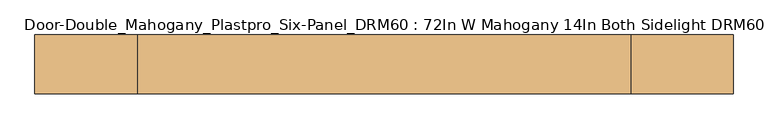
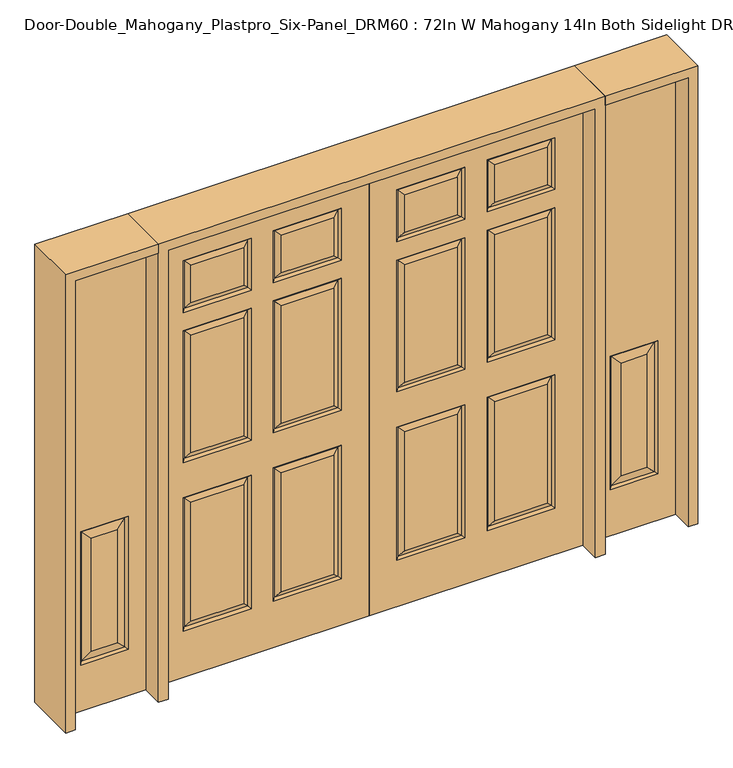
"""IFC4 building model written with IfcOpenShell, lengths in millimetres: door geometry, Door-Double_Mahogany_Plastpro_Six-Panel_DRM60 : 72In W Mahogany 14In Both Sidelight DRM60 Six Panel - 80In."""

from ifc_helpers import new_model, si_unit, frame, origin, place, context, project, spatial, polyline, outline, extrude, faceted_brep, source, transform, mapped, element, save


def door_double_mahogany_plastpro_six_panel_drm60_72in_w_f08e7dad(model_context):
    return source(origin(), model_context, "Body", "SolidModel", [
        faceted_brep([(0.0, -20.6375, 0.0), (0.0, 20.6375, 0.0), (914.4, 20.6375, 0.0), (914.4, -20.6375, 0.0), (762.7351108, -20.6375, 1004.0531705), (762.7351108, -20.6375, 1535.9468295), (537.3281705, -20.6375, 1535.9468295), (537.3281705, -20.6375, 1004.0531705), (377.0708488, -20.6375, 1004.0541512), (377.0708488, -20.6375, 1535.9458488), (151.6658699, -20.6375, 1535.9458488), (151.6658699, -20.6375, 1004.0541512), (377.0718295, -20.6375, 242.0531705), (377.0718295, -20.6375, 780.2968295), (151.6648892, -20.6375, 780.2968295), (151.6648892, -20.6375, 242.0531705), (762.7351108, -20.6375, 242.0531705), (762.7351108, -20.6375, 780.2968295), (537.3281705, -20.6375, 780.2968295), (537.3281705, -20.6375, 242.0531705), (377.0718295, -20.6375, 1683.5031705), (377.0718295, -20.6375, 1853.4468295), (151.6648892, -20.6375, 1853.4468295), (151.6648892, -20.6375, 1683.5031705), (762.7351108, -20.6375, 1683.5031705), (762.7351108, -20.6375, 1853.4468295), (537.3281705, -20.6375, 1853.4468295), (537.3281705, -20.6375, 1683.5031705), (0.0, -20.6375, 2032.0), (914.4, -20.6375, 2032.0), (119.1627007, -20.6375, 971.5509819), (119.1627007, -20.6375, 1568.4490181), (409.5740181, -20.6375, 1568.4490181), (409.5740181, -20.6375, 971.5509819), (504.8250012, -20.6375, 971.5500012), (504.8250012, -20.6375, 1568.4499988), (795.23828, -20.6375, 1568.4499988), (795.23828, -20.6375, 971.5500012), (119.16172, -20.6375, 209.5500012), (119.16172, -20.6375, 812.7999988), (409.5749988, -20.6375, 812.7999988), (409.5749988, -20.6375, 209.5500012), (504.8250012, -20.6375, 209.5500012), (504.8250012, -20.6375, 812.7999988), (795.23828, -20.6375, 812.7999988), (795.23828, -20.6375, 209.5500012), (119.16172, -20.6375, 1651.0000012), (119.16172, -20.6375, 1885.9499988), (409.5749988, -20.6375, 1885.9499988), (409.5749988, -20.6375, 1651.0000012), (504.8250012, -20.6375, 1651.0000012), (504.8250012, -20.6375, 1885.9499988), (795.23828, -20.6375, 1885.9499988), (795.23828, -20.6375, 1651.0000012), (914.4, 20.6375, 2032.0), (0.0, 20.6375, 2032.0), (795.23828, 20.6375, 971.5500012), (795.23828, 20.6375, 1568.4499988), (504.8250012, 20.6375, 1568.4499988), (504.8250012, 20.6375, 971.5500012), (409.5740181, 20.6375, 971.5509819), (409.5740181, 20.6375, 1568.4490181), (119.1627007, 20.6375, 1568.4490181), (119.1627007, 20.6375, 971.5509819), (409.5749988, 20.6375, 209.5500012), (409.5749988, 20.6375, 812.7999988), (119.16172, 20.6375, 812.7999988), (119.16172, 20.6375, 209.5500012), (795.23828, 20.6375, 209.5500012), (795.23828, 20.6375, 812.7999988), (504.8250012, 20.6375, 812.7999988), (504.8250012, 20.6375, 209.5500012), (409.5749988, 20.6375, 1651.0000012), (409.5749988, 20.6375, 1885.9499988), (119.16172, 20.6375, 1885.9499988), (119.16172, 20.6375, 1651.0000012), (795.23828, 20.6375, 1651.0000012), (795.23828, 20.6375, 1885.9499988), (504.8250012, 20.6375, 1885.9499988), (504.8250012, 20.6375, 1651.0000012), (537.3281705, 20.6375, 1004.0531705), (537.3281705, 20.6375, 1535.9468295), (762.7351108, 20.6375, 1535.9468295), (762.7351108, 20.6375, 1004.0531705), (151.6658699, 20.6375, 1004.0541512), (151.6658699, 20.6375, 1535.9458488), (377.0708488, 20.6375, 1535.9458488), (377.0708488, 20.6375, 1004.0541512), (151.6648892, 20.6375, 242.0531705), (151.6648892, 20.6375, 780.2968295), (377.0718295, 20.6375, 780.2968295), (377.0718295, 20.6375, 242.0531705), (537.3281705, 20.6375, 242.0531705), (537.3281705, 20.6375, 780.2968295), (762.7351108, 20.6375, 780.2968295), (762.7351108, 20.6375, 242.0531705), (151.6648892, 20.6375, 1683.5031705), (151.6648892, 20.6375, 1853.4468295), (377.0718295, 20.6375, 1853.4468295), (377.0718295, 20.6375, 1683.5031705), (537.3281705, 20.6375, 1683.5031705), (537.3281705, 20.6375, 1853.4468295), (762.7351108, 20.6375, 1853.4468295), (762.7351108, 20.6375, 1683.5031705), (514.5105194, 10.9519818, 981.2355194), (785.5527618, 10.9519818, 981.2355194), (514.5105194, 10.9519818, 1558.7644806), (785.5527618, 10.9519818, 1558.7644806), (128.8482189, 10.9519818, 981.2365001), (399.8884999, 10.9519818, 981.2365001), (128.8482189, 10.9519818, 1558.7634999), (399.8884999, 10.9519818, 1558.7634999), (128.8472382, 10.9519818, 219.2355194), (399.8894806, 10.9519818, 219.2355194), (128.8472382, 10.9519818, 803.1144806), (399.8894806, 10.9519818, 803.1144806), (514.5105194, 10.9519818, 219.2355194), (785.5527618, 10.9519818, 219.2355194), (514.5105194, 10.9519818, 803.1144806), (785.5527618, 10.9519818, 803.1144806), (514.5105194, -10.9519818, 981.2355194), (785.5527618, -10.9519818, 981.2355194), (514.5105194, -10.9519818, 1558.7644806), (785.5527618, -10.9519818, 1558.7644806), (128.8482189, -10.9519818, 981.2365001), (399.8884999, -10.9519818, 981.2365001), (128.8482189, -10.9519818, 1558.7634999), (399.8884999, -10.9519818, 1558.7634999), (128.8472382, -10.9519818, 219.2355194), (399.8894806, -10.9519818, 219.2355194), (128.8472382, -10.9519818, 803.1144806), (399.8894806, -10.9519818, 803.1144806), (514.5105194, -10.9519818, 219.2355194), (785.5527618, -10.9519818, 219.2355194), (514.5105194, -10.9519818, 803.1144806), (785.5527618, -10.9519818, 803.1144806), (128.8472382, 10.9519818, 1660.6855194), (399.8894806, 10.9519818, 1660.6855194), (128.8472382, -10.9519818, 1660.6855194), (399.8894806, -10.9519818, 1660.6855194), (399.8894806, 10.9519818, 1876.2644806), (399.8894806, -10.9519818, 1876.2644806), (128.8472382, 10.9519818, 1876.2644806), (128.8472382, -10.9519818, 1876.2644806), (514.5105194, 10.9519818, 1660.6855194), (785.5527618, 10.9519818, 1660.6855194), (785.5527618, 10.9519818, 1876.2644806), (514.5105194, 10.9519818, 1876.2644806), (514.5105194, -10.9519818, 1660.6855194), (785.5527618, -10.9519818, 1660.6855194), (785.5527618, -10.9519818, 1876.2644806), (514.5105194, -10.9519818, 1876.2644806)], [[[0, 1, 2, 3]], [[4, 5, 6, 7]], [[8, 9, 10, 11]], [[12, 13, 14, 15]], [[16, 17, 18, 19]], [[20, 21, 22, 23]], [[24, 25, 26, 27]], [[28, 0, 3, 29], [30, 31, 32, 33], [34, 35, 36, 37], [38, 39, 40, 41], [42, 43, 44, 45], [46, 47, 48, 49], [50, 51, 52, 53]], [[29, 3, 2, 54]], [[54, 2, 1, 55], [56, 57, 58, 59], [60, 61, 62, 63], [64, 65, 66, 67], [68, 69, 70, 71], [72, 73, 74, 75], [76, 77, 78, 79]], [[80, 81, 82, 83]], [[84, 85, 86, 87]], [[88, 89, 90, 91]], [[92, 93, 94, 95]], [[96, 97, 98, 99]], [[100, 101, 102, 103]], [[55, 1, 0, 28]], [[56, 59, 104, 105]], [[59, 58, 106, 104]], [[105, 107, 57, 56]], [[104, 80, 83, 105]], [[83, 82, 107, 105]], [[104, 106, 81, 80]], [[60, 63, 108, 109]], [[63, 62, 110, 108]], [[109, 111, 61, 60]], [[108, 84, 87, 109]], [[87, 86, 111, 109]], [[108, 110, 85, 84]], [[64, 67, 112, 113]], [[67, 66, 114, 112]], [[115, 114, 66, 65]], [[113, 115, 65, 64]], [[112, 88, 91, 113]], [[91, 90, 115, 113]], [[90, 89, 114, 115]], [[112, 114, 89, 88]], [[68, 71, 116, 117]], [[71, 70, 118, 116]], [[119, 118, 70, 69]], [[117, 119, 69, 68]], [[116, 92, 95, 117]], [[95, 94, 119, 117]], [[94, 93, 118, 119]], [[116, 118, 93, 92]], [[4, 7, 120, 121]], [[7, 6, 122, 120]], [[121, 123, 5, 4]], [[120, 34, 37, 121]], [[37, 36, 123, 121]], [[120, 122, 35, 34]], [[8, 11, 124, 125]], [[11, 10, 126, 124]], [[125, 127, 9, 8]], [[124, 30, 33, 125]], [[33, 32, 127, 125]], [[124, 126, 31, 30]], [[12, 15, 128, 129]], [[15, 14, 130, 128]], [[131, 130, 14, 13]], [[129, 131, 13, 12]], [[128, 38, 41, 129]], [[41, 40, 131, 129]], [[40, 39, 130, 131]], [[128, 130, 39, 38]], [[16, 19, 132, 133]], [[19, 18, 134, 132]], [[135, 134, 18, 17]], [[133, 135, 17, 16]], [[132, 42, 45, 133]], [[45, 44, 135, 133]], [[44, 43, 134, 135]], [[132, 134, 43, 42]], [[72, 75, 136, 137]], [[136, 96, 99, 137]], [[20, 23, 138, 139]], [[138, 46, 49, 139]], [[137, 140, 73, 72]], [[99, 98, 140, 137]], [[139, 141, 21, 20]], [[49, 48, 141, 139]], [[140, 142, 74, 73]], [[98, 97, 142, 140]], [[141, 143, 22, 21]], [[48, 47, 143, 141]], [[75, 74, 142, 136]], [[136, 142, 97, 96]], [[23, 22, 143, 138]], [[138, 143, 47, 46]], [[28, 29, 54, 55]], [[76, 79, 144, 145]], [[144, 100, 103, 145]], [[145, 146, 77, 76]], [[103, 102, 146, 145]], [[146, 147, 78, 77]], [[102, 101, 147, 146]], [[79, 78, 147, 144]], [[144, 147, 101, 100]], [[24, 27, 148, 149]], [[148, 50, 53, 149]], [[149, 150, 25, 24]], [[53, 52, 150, 149]], [[150, 151, 26, 25]], [[52, 51, 151, 150]], [[27, 26, 151, 148]], [[148, 151, 51, 50]], [[107, 106, 58, 57]], [[82, 81, 106, 107]], [[123, 122, 6, 5]], [[36, 35, 122, 123]], [[111, 110, 62, 61]], [[86, 85, 110, 111]], [[127, 126, 10, 9]], [[32, 31, 126, 127]]]),
        faceted_brep([(955.675, -20.6375, 0.0), (1311.275, -20.6375, 0.0), (1311.275, -20.6375, 2032.0), (955.675, -20.6375, 2032.0), (1235.075, -20.6375, 209.55), (1031.875, -20.6375, 209.55), (1031.875, -20.6375, 812.8), (1235.075, -20.6375, 812.8), (1077.9125, -20.6375, 255.5875), (1189.0375, -20.6375, 255.5875), (1189.0375, -20.6375, 766.7625), (1077.9125, -20.6375, 766.7625), (955.675, 20.6375, 0.0), (1311.275, 20.6375, 0.0), (1311.275, 20.6375, 2032.0), (955.675, 20.6375, 2032.0), (1031.875, 20.6375, 209.55), (1235.075, 20.6375, 209.55), (1235.075, 20.6375, 812.8), (1031.875, 20.6375, 812.8), (1189.0375, 20.6375, 255.5875), (1077.9125, 20.6375, 255.5875), (1077.9125, 20.6375, 766.7625), (1189.0375, 20.6375, 766.7625), (1226.0947439, -11.6572439, 218.5302561), (1040.8552561, -11.6572439, 218.5302561), (1040.8552561, -11.6572439, 803.8197439), (1226.0947439, -11.6572439, 803.8197439), (1040.8552561, 11.6572439, 218.5302561), (1226.0947439, 11.6572439, 218.5302561), (1226.0947439, 11.6572439, 803.8197439), (1040.8552561, 11.6572439, 803.8197439)], [[[0, 1, 2, 3], [4, 5, 6, 7]], [[8, 9, 10, 11]], [[1, 0, 12, 13]], [[2, 1, 13, 14]], [[0, 3, 15, 12]], [[12, 15, 14, 13], [16, 17, 18, 19]], [[20, 21, 22, 23]], [[3, 2, 14, 15]], [[24, 25, 5, 4]], [[5, 25, 26, 6]], [[6, 26, 27, 7]], [[24, 4, 7, 27]], [[25, 24, 9, 8]], [[9, 24, 27, 10]], [[26, 11, 10, 27]], [[25, 8, 11, 26]], [[16, 28, 29, 17]], [[17, 29, 30, 18]], [[31, 19, 18, 30]], [[28, 16, 19, 31]], [[29, 28, 21, 20]], [[21, 28, 31, 22]], [[22, 31, 30, 23]], [[29, 20, 23, 30]]]),
        faceted_brep([(-1311.275, -20.6375, 0.0), (-955.675, -20.6375, 0.0), (-955.675, -20.6375, 2032.0), (-1311.275, -20.6375, 2032.0), (-1031.875, -20.6375, 209.55), (-1235.075, -20.6375, 209.55), (-1235.075, -20.6375, 812.8), (-1031.875, -20.6375, 812.8), (-1189.0375, -20.6375, 255.5875), (-1077.9125, -20.6375, 255.5875), (-1077.9125, -20.6375, 766.7625), (-1189.0375, -20.6375, 766.7625), (-1311.275, 20.6375, 0.0), (-955.675, 20.6375, 0.0), (-955.675, 20.6375, 2032.0), (-1311.275, 20.6375, 2032.0), (-1235.075, 20.6375, 209.55), (-1031.875, 20.6375, 209.55), (-1031.875, 20.6375, 812.8), (-1235.075, 20.6375, 812.8), (-1077.9125, 20.6375, 255.5875), (-1189.0375, 20.6375, 255.5875), (-1189.0375, 20.6375, 766.7625), (-1077.9125, 20.6375, 766.7625), (-1040.8552561, -11.6572439, 218.5302561), (-1226.0947439, -11.6572439, 218.5302561), (-1226.0947439, -11.6572439, 803.8197439), (-1040.8552561, -11.6572439, 803.8197439), (-1226.0947439, 11.6572439, 218.5302561), (-1040.8552561, 11.6572439, 218.5302561), (-1040.8552561, 11.6572439, 803.8197439), (-1226.0947439, 11.6572439, 803.8197439)], [[[0, 1, 2, 3], [4, 5, 6, 7]], [[8, 9, 10, 11]], [[1, 0, 12, 13]], [[2, 1, 13, 14]], [[0, 3, 15, 12]], [[12, 15, 14, 13], [16, 17, 18, 19]], [[20, 21, 22, 23]], [[3, 2, 14, 15]], [[24, 25, 5, 4]], [[5, 25, 26, 6]], [[6, 26, 27, 7]], [[24, 4, 7, 27]], [[25, 24, 9, 8]], [[9, 24, 27, 10]], [[26, 11, 10, 27]], [[25, 8, 11, 26]], [[16, 28, 29, 17]], [[17, 29, 30, 18]], [[31, 19, 18, 30]], [[28, 16, 19, 31]], [[29, 28, 21, 20]], [[21, 28, 31, 22]], [[22, 31, 30, 23]], [[29, 20, 23, 30]]]),
        faceted_brep([(0.0, -20.6375, 0.0), (-914.4, -20.6375, 0.0), (-914.4, 20.6375, 0.0), (0.0, 20.6375, 0.0), (-762.7351108, -20.6375, 1004.0531705), (-537.3281705, -20.6375, 1004.0531705), (-537.3281705, -20.6375, 1535.9468295), (-762.7351108, -20.6375, 1535.9468295), (-377.0708488, -20.6375, 1004.0541512), (-151.6658699, -20.6375, 1004.0541512), (-151.6658699, -20.6375, 1535.9458488), (-377.0708488, -20.6375, 1535.9458488), (-377.0718295, -20.6375, 242.0531705), (-151.6648892, -20.6375, 242.0531705), (-151.6648892, -20.6375, 780.2968295), (-377.0718295, -20.6375, 780.2968295), (-762.7351108, -20.6375, 242.0531705), (-537.3281705, -20.6375, 242.0531705), (-537.3281705, -20.6375, 780.2968295), (-762.7351108, -20.6375, 780.2968295), (-377.0718295, -20.6375, 1683.5031705), (-151.6648892, -20.6375, 1683.5031705), (-151.6648892, -20.6375, 1853.4468295), (-377.0718295, -20.6375, 1853.4468295), (-762.7351108, -20.6375, 1683.5031705), (-537.3281705, -20.6375, 1683.5031705), (-537.3281705, -20.6375, 1853.4468295), (-762.7351108, -20.6375, 1853.4468295), (0.0, -20.6375, 2032.0), (-914.4, -20.6375, 2032.0), (-119.1627007, -20.6375, 971.5509819), (-409.5740181, -20.6375, 971.5509819), (-409.5740181, -20.6375, 1568.4490181), (-119.1627007, -20.6375, 1568.4490181), (-504.8250012, -20.6375, 971.5500012), (-795.23828, -20.6375, 971.5500012), (-795.23828, -20.6375, 1568.4499988), (-504.8250012, -20.6375, 1568.4499988), (-119.16172, -20.6375, 209.5500012), (-409.5749988, -20.6375, 209.5500012), (-409.5749988, -20.6375, 812.7999988), (-119.16172, -20.6375, 812.7999988), (-504.8250012, -20.6375, 209.5500012), (-795.23828, -20.6375, 209.5500012), (-795.23828, -20.6375, 812.7999988), (-504.8250012, -20.6375, 812.7999988), (-119.16172, -20.6375, 1651.0000012), (-409.5749988, -20.6375, 1651.0000012), (-409.5749988, -20.6375, 1885.9499988), (-119.16172, -20.6375, 1885.9499988), (-504.8250012, -20.6375, 1651.0000012), (-795.23828, -20.6375, 1651.0000012), (-795.23828, -20.6375, 1885.9499988), (-504.8250012, -20.6375, 1885.9499988), (-914.4, 20.6375, 2032.0), (-537.3281705, 20.6375, 1004.0531705), (-762.7351108, 20.6375, 1004.0531705), (-762.7351108, 20.6375, 1535.9468295), (-537.3281705, 20.6375, 1535.9468295), (-151.6658699, 20.6375, 1004.0541512), (-377.0708488, 20.6375, 1004.0541512), (-377.0708488, 20.6375, 1535.9458488), (-151.6658699, 20.6375, 1535.9458488), (-151.6648892, 20.6375, 242.0531705), (-377.0718295, 20.6375, 242.0531705), (-377.0718295, 20.6375, 780.2968295), (-151.6648892, 20.6375, 780.2968295), (-537.3281705, 20.6375, 242.0531705), (-762.7351108, 20.6375, 242.0531705), (-762.7351108, 20.6375, 780.2968295), (-537.3281705, 20.6375, 780.2968295), (-151.6648892, 20.6375, 1683.5031705), (-377.0718295, 20.6375, 1683.5031705), (-377.0718295, 20.6375, 1853.4468295), (-151.6648892, 20.6375, 1853.4468295), (-537.3281705, 20.6375, 1683.5031705), (-762.7351108, 20.6375, 1683.5031705), (-762.7351108, 20.6375, 1853.4468295), (-537.3281705, 20.6375, 1853.4468295), (0.0, 20.6375, 2032.0), (-795.23828, 20.6375, 971.5500012), (-504.8250012, 20.6375, 971.5500012), (-504.8250012, 20.6375, 1568.4499988), (-795.23828, 20.6375, 1568.4499988), (-409.5740181, 20.6375, 971.5509819), (-119.1627007, 20.6375, 971.5509819), (-119.1627007, 20.6375, 1568.4490181), (-409.5740181, 20.6375, 1568.4490181), (-409.5749988, 20.6375, 209.5500012), (-119.16172, 20.6375, 209.5500012), (-119.16172, 20.6375, 812.7999988), (-409.5749988, 20.6375, 812.7999988), (-795.23828, 20.6375, 209.5500012), (-504.8250012, 20.6375, 209.5500012), (-504.8250012, 20.6375, 812.7999988), (-795.23828, 20.6375, 812.7999988), (-409.5749988, 20.6375, 1651.0000012), (-119.16172, 20.6375, 1651.0000012), (-119.16172, 20.6375, 1885.9499988), (-409.5749988, 20.6375, 1885.9499988), (-795.23828, 20.6375, 1651.0000012), (-504.8250012, 20.6375, 1651.0000012), (-504.8250012, 20.6375, 1885.9499988), (-795.23828, 20.6375, 1885.9499988), (-785.5527618, 10.9519818, 981.2355194), (-514.5105194, 10.9519818, 981.2355194), (-514.5105194, 10.9519818, 1558.7644806), (-785.5527618, 10.9519818, 1558.7644806), (-399.8884999, 10.9519818, 981.2365001), (-128.8482189, 10.9519818, 981.2365001), (-128.8482189, 10.9519818, 1558.7634999), (-399.8884999, 10.9519818, 1558.7634999), (-399.8894806, 10.9519818, 219.2355194), (-128.8472382, 10.9519818, 219.2355194), (-128.8472382, 10.9519818, 803.1144806), (-399.8894806, 10.9519818, 803.1144806), (-785.5527618, 10.9519818, 219.2355194), (-514.5105194, 10.9519818, 219.2355194), (-514.5105194, 10.9519818, 803.1144806), (-785.5527618, 10.9519818, 803.1144806), (-785.5527618, -10.9519818, 981.2355194), (-514.5105194, -10.9519818, 981.2355194), (-514.5105194, -10.9519818, 1558.7644806), (-785.5527618, -10.9519818, 1558.7644806), (-399.8884999, -10.9519818, 981.2365001), (-128.8482189, -10.9519818, 981.2365001), (-128.8482189, -10.9519818, 1558.7634999), (-399.8884999, -10.9519818, 1558.7634999), (-399.8894806, -10.9519818, 219.2355194), (-128.8472382, -10.9519818, 219.2355194), (-128.8472382, -10.9519818, 803.1144806), (-399.8894806, -10.9519818, 803.1144806), (-785.5527618, -10.9519818, 219.2355194), (-514.5105194, -10.9519818, 219.2355194), (-514.5105194, -10.9519818, 803.1144806), (-785.5527618, -10.9519818, 803.1144806), (-399.8894806, 10.9519818, 1660.6855194), (-128.8472382, 10.9519818, 1660.6855194), (-399.8894806, -10.9519818, 1660.6855194), (-128.8472382, -10.9519818, 1660.6855194), (-399.8894806, 10.9519818, 1876.2644806), (-399.8894806, -10.9519818, 1876.2644806), (-128.8472382, 10.9519818, 1876.2644806), (-128.8472382, -10.9519818, 1876.2644806), (-785.5527618, 10.9519818, 1660.6855194), (-514.5105194, 10.9519818, 1660.6855194), (-785.5527618, 10.9519818, 1876.2644806), (-514.5105194, 10.9519818, 1876.2644806), (-785.5527618, -10.9519818, 1660.6855194), (-514.5105194, -10.9519818, 1660.6855194), (-785.5527618, -10.9519818, 1876.2644806), (-514.5105194, -10.9519818, 1876.2644806)], [[[0, 1, 2, 3]], [[4, 5, 6, 7]], [[8, 9, 10, 11]], [[12, 13, 14, 15]], [[16, 17, 18, 19]], [[20, 21, 22, 23]], [[24, 25, 26, 27]], [[28, 29, 1, 0], [30, 31, 32, 33], [34, 35, 36, 37], [38, 39, 40, 41], [42, 43, 44, 45], [46, 47, 48, 49], [50, 51, 52, 53]], [[29, 54, 2, 1]], [[55, 56, 57, 58]], [[59, 60, 61, 62]], [[63, 64, 65, 66]], [[67, 68, 69, 70]], [[71, 72, 73, 74]], [[75, 76, 77, 78]], [[54, 79, 3, 2], [80, 81, 82, 83], [84, 85, 86, 87], [88, 89, 90, 91], [92, 93, 94, 95], [96, 97, 98, 99], [100, 101, 102, 103]], [[79, 28, 0, 3]], [[80, 104, 105, 81]], [[81, 105, 106, 82]], [[104, 80, 83, 107]], [[105, 104, 56, 55]], [[56, 104, 107, 57]], [[105, 55, 58, 106]], [[84, 108, 109, 85]], [[85, 109, 110, 86]], [[108, 84, 87, 111]], [[109, 108, 60, 59]], [[60, 108, 111, 61]], [[109, 59, 62, 110]], [[88, 112, 113, 89]], [[89, 113, 114, 90]], [[115, 91, 90, 114]], [[112, 88, 91, 115]], [[113, 112, 64, 63]], [[64, 112, 115, 65]], [[65, 115, 114, 66]], [[113, 63, 66, 114]], [[92, 116, 117, 93]], [[93, 117, 118, 94]], [[119, 95, 94, 118]], [[116, 92, 95, 119]], [[117, 116, 68, 67]], [[68, 116, 119, 69]], [[69, 119, 118, 70]], [[117, 67, 70, 118]], [[4, 120, 121, 5]], [[5, 121, 122, 6]], [[120, 4, 7, 123]], [[121, 120, 35, 34]], [[35, 120, 123, 36]], [[121, 34, 37, 122]], [[8, 124, 125, 9]], [[9, 125, 126, 10]], [[124, 8, 11, 127]], [[125, 124, 31, 30]], [[31, 124, 127, 32]], [[125, 30, 33, 126]], [[12, 128, 129, 13]], [[13, 129, 130, 14]], [[131, 15, 14, 130]], [[128, 12, 15, 131]], [[129, 128, 39, 38]], [[39, 128, 131, 40]], [[40, 131, 130, 41]], [[129, 38, 41, 130]], [[16, 132, 133, 17]], [[17, 133, 134, 18]], [[135, 19, 18, 134]], [[132, 16, 19, 135]], [[133, 132, 43, 42]], [[43, 132, 135, 44]], [[44, 135, 134, 45]], [[133, 42, 45, 134]], [[96, 136, 137, 97]], [[137, 136, 72, 71]], [[20, 138, 139, 21]], [[139, 138, 47, 46]], [[136, 96, 99, 140]], [[72, 136, 140, 73]], [[138, 20, 23, 141]], [[47, 138, 141, 48]], [[140, 99, 98, 142]], [[73, 140, 142, 74]], [[141, 23, 22, 143]], [[48, 141, 143, 49]], [[97, 137, 142, 98]], [[137, 71, 74, 142]], [[21, 139, 143, 22]], [[139, 46, 49, 143]], [[28, 79, 54, 29]], [[100, 144, 145, 101]], [[145, 144, 76, 75]], [[144, 100, 103, 146]], [[76, 144, 146, 77]], [[146, 103, 102, 147]], [[77, 146, 147, 78]], [[101, 145, 147, 102]], [[145, 75, 78, 147]], [[24, 148, 149, 25]], [[149, 148, 51, 50]], [[148, 24, 27, 150]], [[51, 148, 150, 52]], [[150, 27, 26, 151]], [[52, 150, 151, 53]], [[25, 149, 151, 26]], [[149, 50, 53, 151]], [[107, 83, 82, 106]], [[57, 107, 106, 58]], [[123, 7, 6, 122]], [[36, 123, 122, 37]], [[111, 87, 86, 110]], [[61, 111, 110, 62]], [[127, 11, 10, 126]], [[32, 127, 126, 33]]]),
        extrude(outline(polyline([(2032.0, -955.675), (2073.275, -955.675), (2073.275, -1352.55), (0.0, -1352.55), (0.0, -1311.275), (2032.0, -1311.275), (2032.0, -955.675)])), frame((0.0, -114.3, 0.0), z_axis=(0.0, 1.0, 0.0), x_axis=(0.0, 0.0, 1.0)), (0.0, 0.0, 1.0), 228.6),
        extrude(outline(polyline([(2073.275, -955.675), (0.0, -955.675), (0.0, -914.4), (2032.0, -914.4), (2032.0, 914.4), (0.0, 914.4), (0.0, 955.675), (2073.275, 955.675), (2073.275, -955.675)])), frame((0.0, -114.3, 0.0), z_axis=(0.0, 1.0, 0.0), x_axis=(0.0, 0.0, 1.0)), (0.0, 0.0, 1.0), 228.6),
        extrude(outline(polyline([(0.0, 1311.275), (0.0, 1352.55), (2073.275, 1352.55), (2073.275, 955.675), (2032.0, 955.675), (2032.0, 1311.275), (0.0, 1311.275)])), frame((0.0, -114.3, 0.0), z_axis=(0.0, 1.0, 0.0), x_axis=(0.0, 0.0, 1.0)), (0.0, 0.0, 1.0), 228.6),
    ])


if __name__ == "__main__":
    model = new_model("IFC4")
    model_context = context("Model", 3, world=origin())
    ifc_project = project(units=[si_unit("LENGTHUNIT", "METRE", prefix="MILLI")], contexts=[model_context])
    site = spatial("IfcSite", under=ifc_project)
    building = spatial("IfcBuilding", under=site)
    placement = place(None, origin())
    door_double_mahogany_plastpro_six_panel_drm60_72in_w_shape = door_double_mahogany_plastpro_six_panel_drm60_72in_w_f08e7dad(model_context)
    element("IfcDoor", 1, ObjectType="Door-Double_Mahogany_Plastpro_Six-Panel_DRM60 : 72In W Mahogany 14In Both Sidelight DRM60 Six Panel - 80In", at=placement, inside=building, context=model_context, shape_type="MappedRepresentation", body=[
        mapped(door_double_mahogany_plastpro_six_panel_drm60_72in_w_shape, transform((0.0, 0.0, 0.0), x_axis=(1.0, 0.0, 0.0), y_axis=(0.0, 1.0, 0.0), z_axis=(0.0, 0.0, 1.0))),
    ])
    save(model, "model.ifc")
